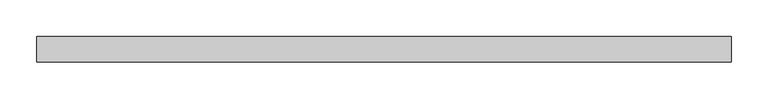
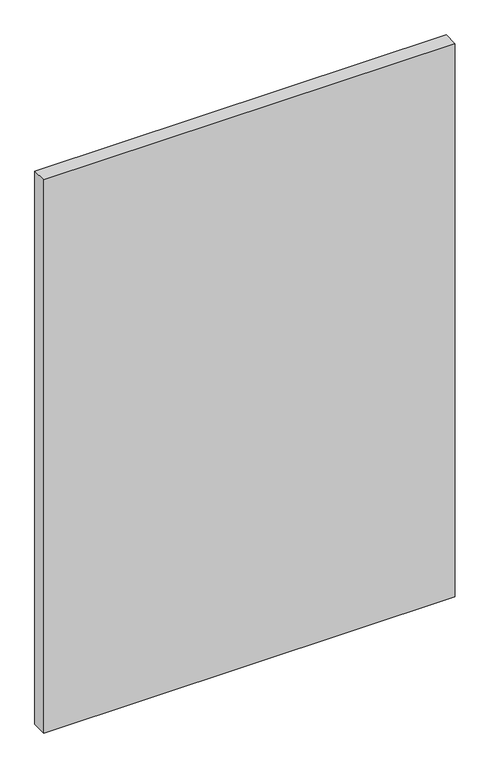
"""IFC4 building model written with IfcOpenShell, lengths in millimetres: plate geometry."""

from ifc_helpers import new_model, si_unit, origin, origin_with_axes, place, context, project, spatial, polyline, outline, extrude, source, transform, mapped, element, save


def plate_0d167dd2(model_context):
    return source(origin(), model_context, "Body", "SweptSolid", [
        extrude(outline(polyline([(473.0982143, -17.5), (-473.0982143, -17.5), (-473.0982143, 17.5), (473.0982143, 17.5), (473.0982143, -17.5)])), origin_with_axes(), (0.0, 0.0, 1.0), 1343.8125),
    ])


if __name__ == "__main__":
    model = new_model("IFC4")
    model_context = context("Model", 3, world=origin())
    ifc_project = project(units=[si_unit("LENGTHUNIT", "METRE", prefix="MILLI")], contexts=[model_context])
    site = spatial("IfcSite", under=ifc_project)
    building = spatial("IfcBuilding", under=site)
    placement = place(None, origin())
    plate_shape = plate_0d167dd2(model_context)
    element("IfcPlate", 1, at=placement, inside=building, context=model_context, shape_type="MappedRepresentation", body=[
        mapped(plate_shape, transform((0.0, 0.0, 0.0), x_axis=(1.0, 0.0, 0.0), y_axis=(0.0, 1.0, 0.0), z_axis=(0.0, 0.0, 1.0))),
    ])
    save(model, "model.ifc")
